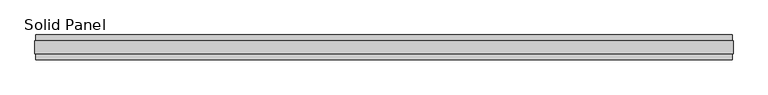
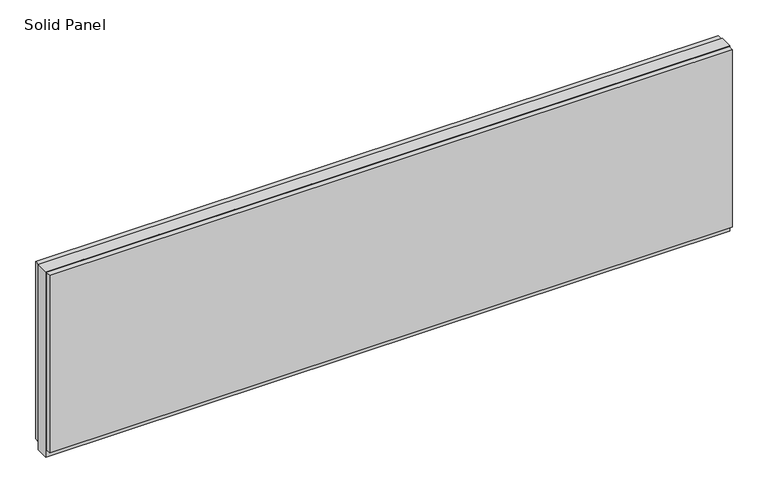
"""IFC4 building model written with IfcOpenShell, lengths in millimetres: plate geometry, Solid Panel."""

from ifc_helpers import new_model, si_unit, frame, origin, origin_with_axes, place, context, project, spatial, polyline, outline, extrude, source, transform, mapped, element, save


def solid_panel_b6e7129f(model_context):
    return source(origin(), model_context, "Body", "SweptSolid", [
        extrude(outline(polyline([(1368.6027273, -48.4531867), (-1368.6027273, -48.4531867), (-1368.6027273, -25.9961), (1368.6027273, -25.9961), (1368.6027273, -48.4531867)])), frame((0.0, 0.0, 32.004), z_axis=(0.0, 0.0, 1.0), x_axis=(1.0, 0.0, 0.0)), (0.0, 0.0, 1.0), 752.3861),
        extrude(outline(polyline([(1368.6027273, 25.9977), (-1368.6027273, 25.9977), (-1368.6027273, 48.4547867), (1368.6027273, 48.4547867), (1368.6027273, 25.9977)])), frame((0.0, 0.0, 32.004), z_axis=(0.0, 0.0, 1.0), x_axis=(1.0, 0.0, 0.0)), (0.0, 0.0, 1.0), 752.3861),
        extrude(outline(polyline([(1371.5999273, -25.9961), (-1371.5999273, -25.9961), (-1371.5999273, 25.9977), (1371.5999273, 25.9977), (1371.5999273, -25.9961)])), origin_with_axes(), (0.0, 0.0, 1.0), 787.4),
    ])


if __name__ == "__main__":
    model = new_model("IFC4")
    model_context = context("Model", 3, world=origin())
    ifc_project = project(units=[si_unit("LENGTHUNIT", "METRE", prefix="MILLI")], contexts=[model_context])
    site = spatial("IfcSite", under=ifc_project)
    building = spatial("IfcBuilding", under=site)
    placement = place(None, origin())
    solid_panel_shape = solid_panel_b6e7129f(model_context)
    element("IfcPlate", 1, ObjectType="Solid Panel", at=placement, inside=building, context=model_context, shape_type="MappedRepresentation", body=[
        mapped(solid_panel_shape, transform((0.0, 0.0, 0.0), x_axis=(1.0, 0.0, 0.0), y_axis=(0.0, 1.0, 0.0), z_axis=(0.0, 0.0, 1.0))),
    ])
    save(model, "model.ifc")
